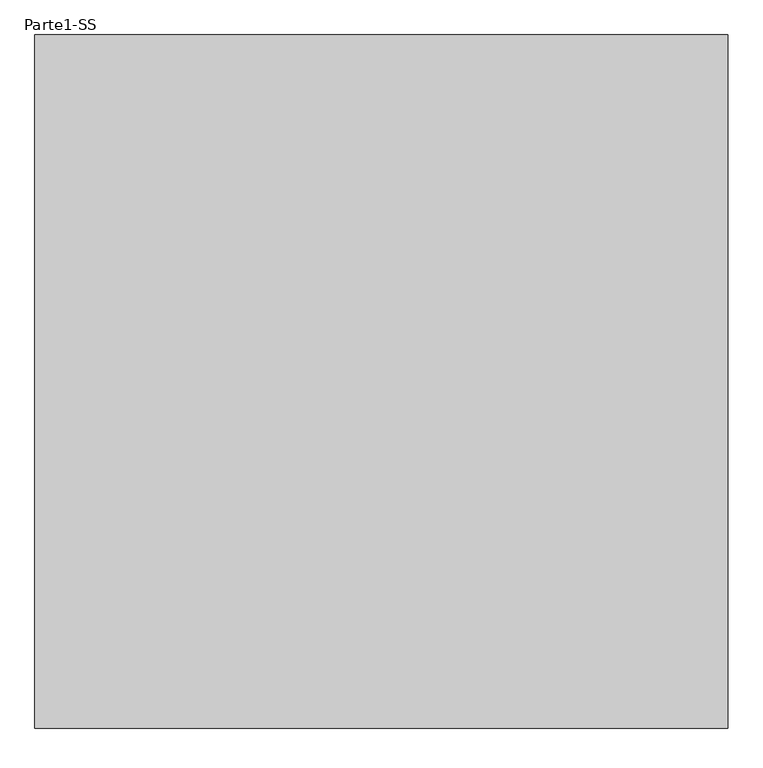
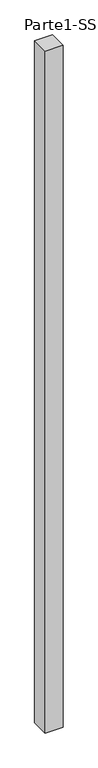
"""IFC4 building model written with IfcOpenShell, lengths in millimetres: proxy geometry, Parte1-SS."""

from ifc_helpers import new_model, si_unit, origin, origin_with_axes, place, context, project, spatial, polyline, outline, extrude, source, transform, mapped, element, save


def parte1_ss_04e3602c(model_context):
    return source(origin(), model_context, "Body", "SweptSolid", [
        extrude(outline(polyline([(2000.0, 2000.0), (2000.0, 0.0), (0.0, 0.0), (0.0, 2000.0), (2000.0, 2000.0)])), origin_with_axes(), (0.0, 0.0, 1.0), 80000.0),
    ])


if __name__ == "__main__":
    model = new_model("IFC4")
    model_context = context("Model", 3, world=origin())
    ifc_project = project(units=[si_unit("LENGTHUNIT", "METRE", prefix="MILLI")], contexts=[model_context])
    site = spatial("IfcSite", under=ifc_project)
    building = spatial("IfcBuilding", under=site)
    placement = place(None, origin())
    parte1_ss_shape = parte1_ss_04e3602c(model_context)
    element("IfcBuildingElementProxy", 1, Name="Parte1-SS", ObjectType="Parte1-SS", at=placement, inside=building, context=model_context, shape_type="MappedRepresentation", body=[
        mapped(parte1_ss_shape, transform((0.0, 0.0, 0.0), x_axis=(1.0, 0.0, 0.0), y_axis=(0.0, 1.0, 0.0), z_axis=(0.0, 0.0, 1.0))),
    ])
    save(model, "model.ifc")
